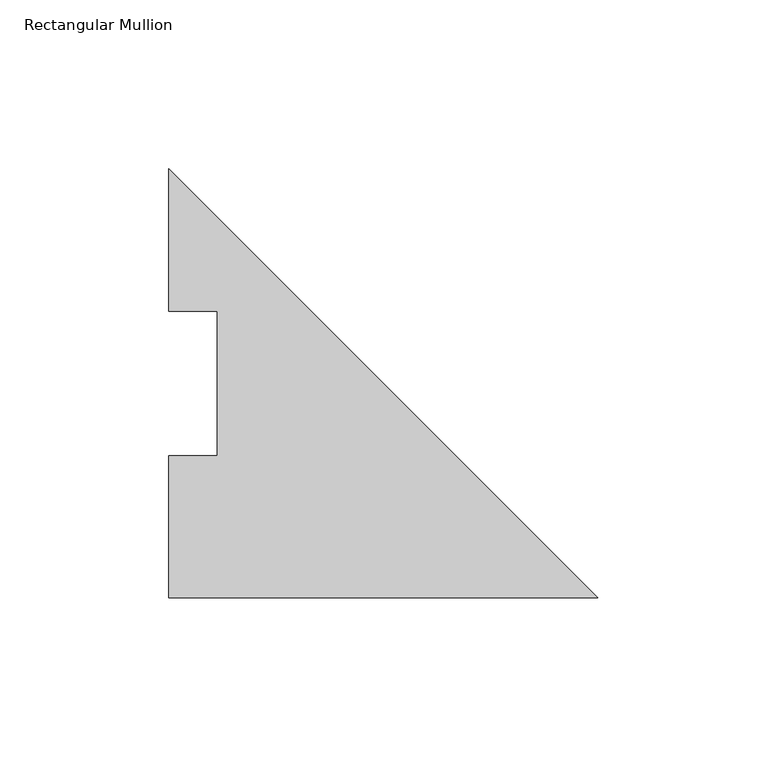
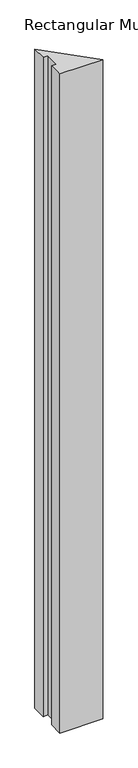
"""IFC4 building model written with IfcOpenShell, lengths in millimetres: member geometry, Rectangular Mullion."""

from ifc_helpers import new_model, si_unit, frame, origin, place, context, project, spatial, polyline, outline, extrude, source, transform, mapped, element, save


def rectangular_mullion_e324aff4(model_context):
    return source(origin(), model_context, "Body", "SweptSolid", [
        extrude(outline(polyline([(-127.0, -0.2913062), (-127.0, 41.7837938), (-112.7125, 41.7837938), (-112.7125, 84.6335937), (-127.0, 84.6335937), (-127.0, 126.7086938), (0.0, -0.2913062), (-127.0, -0.2913062)])), frame((0.0, 0.0, -2057.4), z_axis=(0.0, 0.0, 1.0), x_axis=(1.0, 0.0, 0.0)), (0.0, 0.0, 1.0), 2057.4),
    ])


if __name__ == "__main__":
    model = new_model("IFC4")
    model_context = context("Model", 3, world=origin())
    ifc_project = project(units=[si_unit("LENGTHUNIT", "METRE", prefix="MILLI")], contexts=[model_context])
    site = spatial("IfcSite", under=ifc_project)
    building = spatial("IfcBuilding", under=site)
    placement = place(None, origin())
    rectangular_mullion_shape = rectangular_mullion_e324aff4(model_context)
    element("IfcMember", 1, ObjectType="Rectangular Mullion", at=placement, inside=building, context=model_context, shape_type="MappedRepresentation", body=[
        mapped(rectangular_mullion_shape, transform((0.0, 0.0, 0.0), x_axis=(1.0, 0.0, 0.0), y_axis=(0.0, 1.0, 0.0), z_axis=(0.0, 0.0, 1.0))),
    ])
    save(model, "model.ifc")
